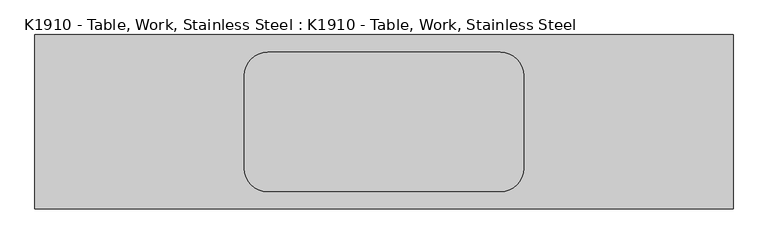
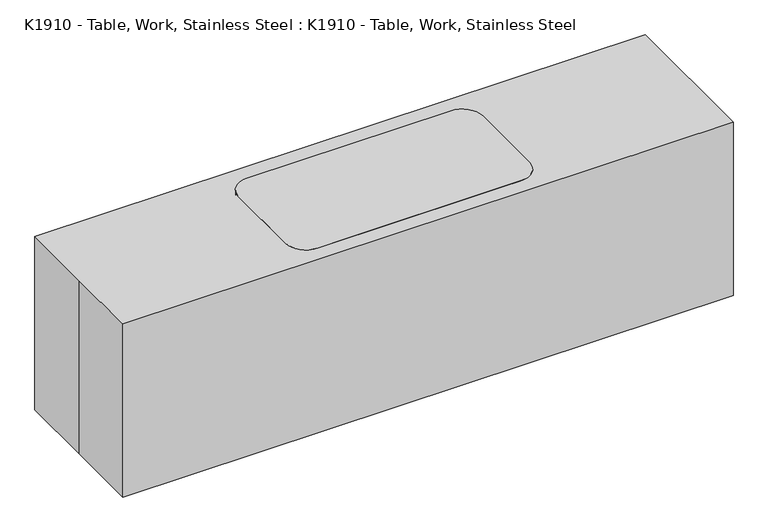
"""IFC4 building model written with IfcOpenShell, lengths in millimetres: proxy geometry, K1910 - Table, Work, Stainless Steel : K1910 - Table, Work, Stainless Steel."""

import ifcopenshell
import ifcopenshell.guid

model = None  # the IFC model being written
_history = None  # IfcOwnerHistory: only IFC2X3 demands one
_inside = {}  # id of a spatial element -> (the spatial element, [elements in it])
_under = {}  # id of a project, library or spatial element -> (it, [spatial elements below it])
_declared = {}  # id of a project -> (the project, [libraries it declares])
_typed = {}  # id of a type object -> (the type object, [elements of that type])
_made_of = {}  # id of a material, layer set ... -> (it, [elements and type objects made of it])


def new_model(schema):
    """Start an empty IFC model of exactly this schema.

    Asked for "IFC4X3", IfcOpenShell would pick the latest addendum, in which some entities
    have other attributes; the version numbers below select the first issue.
    IFC2X3 requires an IfcOwnerHistory on every rooted entity: one is made here for all.
    """
    global model, _history
    if schema == "IFC4X3":
        model = ifcopenshell.file(schema_version=(4, 3, 0, 0))
    else:
        model = ifcopenshell.file(schema=schema)
    _inside.clear()
    _under.clear()
    _declared.clear()
    _typed.clear()
    _made_of.clear()
    _history = None
    if model.schema == "IFC2X3":
        org = make("IfcOrganization", Name="unknown")
        user = make(
            "IfcPersonAndOrganization",
            ThePerson=make("IfcPerson", FamilyName="unknown"),
            TheOrganization=org,
        )
        app = make(
            "IfcApplication",
            ApplicationDeveloper=org,
            Version="unknown",
            ApplicationFullName="unknown",
            ApplicationIdentifier="unknown",
        )
        _history = make(
            "IfcOwnerHistory",
            OwningUser=user,
            OwningApplication=app,
            ChangeAction="ADDED",
            CreationDate=0,
        )
    return model


def make(cls, **values):
    """One entity of the class cls with the attributes given. An attribute that is None is left unset."""
    return model.create_entity(
        cls, **{name: value for name, value in values.items() if value is not None}
    )


def rooted(cls, **values):
    """An entity with a GlobalId (a new one), such as an element, a storey or a relation."""
    return make(cls, GlobalId=ifcopenshell.guid.new(), OwnerHistory=_history, **values)


def si_unit(unit_type, name, prefix=None):
    """IfcSIUnit, for example si_unit("LENGTHUNIT", "METRE", prefix="MILLI")."""
    return make("IfcSIUnit", UnitType=unit_type, Prefix=prefix, Name=name)


def assignment(units):
    """IfcUnitAssignment: the units of a project."""
    return None if units is None else make("IfcUnitAssignment", Units=units)


def point(xyz):
    """IfcCartesianPoint."""
    return None if xyz is None else make("IfcCartesianPoint", Coordinates=xyz)


def direction(xyz):
    """IfcDirection."""
    return None if xyz is None else make("IfcDirection", DirectionRatios=xyz)


def frame(location, z_axis=None, x_axis=None):
    """IfcAxis2Placement3D, a coordinate frame: its origin and axes. An axis left out is left unset."""
    return make(
        "IfcAxis2Placement3D",
        Location=point(location),
        Axis=direction(z_axis),
        RefDirection=direction(x_axis),
    )


def frame_2d(location, x_axis=None):
    """IfcAxis2Placement2D, a coordinate frame in the plane: its origin and x axis."""
    return make(
        "IfcAxis2Placement2D", Location=point(location), RefDirection=direction(x_axis)
    )


def origin():
    """The frame at (0, 0, 0) with its axes left unset."""
    return frame((0.0, 0.0, 0.0))


def origin_with_axes():
    """The frame at (0, 0, 0) with the z axis (0, 0, 1) and the x axis (1, 0, 0) written out."""
    return frame((0.0, 0.0, 0.0), z_axis=(0.0, 0.0, 1.0), x_axis=(1.0, 0.0, 0.0))


def place(relative_to, where):
    """IfcLocalPlacement: puts the frame where relative to a parent placement (None: the world)."""
    return make(
        "IfcLocalPlacement", PlacementRelTo=relative_to, RelativePlacement=where
    )


def context(
    kind, dimensions, precision=None, world=None, true_north=None, identifier=None
):
    """IfcGeometricRepresentationContext, for example the 3D "Model" context."""
    return make(
        "IfcGeometricRepresentationContext",
        ContextIdentifier=identifier,
        ContextType=kind,
        CoordinateSpaceDimension=dimensions,
        Precision=precision,
        WorldCoordinateSystem=world,
        TrueNorth=true_north,
    )


def project(units=None, contexts=None):
    """IfcProject with its units and contexts."""
    return rooted(
        "IfcProject",
        Name="project",
        RepresentationContexts=contexts,
        UnitsInContext=assignment(units),
    )


def spatial(cls, under=None, at=None, **own):
    """A site, building, storey or space (cls), placed at a placement, below another one or the project."""
    s = rooted(cls, ObjectPlacement=at, **own)
    if under is not None:
        _under.setdefault(under.id(), (under, []))[1].append(s)
    return s


def polyline(points):
    """IfcPolyline through the points."""
    return make("IfcPolyline", Points=[point(p) for p in points])


def circle_curve(where, radius):
    """IfcCircle in the frame where."""
    return make("IfcCircle", Position=where, Radius=radius)


def trimmed(basis, trim1, trim2, sense, master):
    """IfcTrimmedCurve: the piece of a basis curve between two trims."""
    return make(
        "IfcTrimmedCurve",
        BasisCurve=basis,
        Trim1=trim1,
        Trim2=trim2,
        SenseAgreement=sense,
        MasterRepresentation=master,
    )


def segment(curve, same_sense, transition):
    """IfcCompositeCurveSegment."""
    return make(
        "IfcCompositeCurveSegment",
        Transition=transition,
        SameSense=same_sense,
        ParentCurve=curve,
    )


def composite_curve(segments, self_intersect=None):
    """IfcCompositeCurve: segments joined end to end."""
    return make("IfcCompositeCurve", Segments=segments, SelfIntersect=self_intersect)


def outline(outer, holes=None, kind="AREA"):
    """IfcArbitraryClosedProfileDef: a profile drawn as a closed curve; with holes, ...WithVoids."""
    if holes is None:
        return make("IfcArbitraryClosedProfileDef", ProfileType=kind, OuterCurve=outer)
    return make(
        "IfcArbitraryProfileDefWithVoids",
        ProfileType=kind,
        OuterCurve=outer,
        InnerCurves=holes,
    )


def extrude(swept, where, along, depth):
    """IfcExtrudedAreaSolid: the profile swept, set in the frame where, extruded along a direction by depth."""
    return make(
        "IfcExtrudedAreaSolid",
        SweptArea=swept,
        Position=where,
        ExtrudedDirection=direction(along),
        Depth=depth,
    )


def shape(context_of_items, identifier, shape_type, items):
    """IfcShapeRepresentation: the items that make up one representation, for example the "Body"."""
    return make(
        "IfcShapeRepresentation",
        ContextOfItems=context_of_items,
        RepresentationIdentifier=identifier,
        RepresentationType=shape_type,
        Items=items,
    )


def source(mapping_origin, context_of_items, identifier, shape_type, items):
    """IfcRepresentationMap: a shape defined once, which mapped items show again and again."""
    return make(
        "IfcRepresentationMap",
        MappingOrigin=mapping_origin,
        MappedRepresentation=shape(context_of_items, identifier, shape_type, items),
    )


def transform(
    local_origin,
    x_axis=None,
    y_axis=None,
    z_axis=None,
    scale=None,
    scale2=None,
    scale3=None,
    uniform=True,
):
    """IfcCartesianTransformationOperator3D, or its non-uniform kind. x_axis, y_axis, z_axis: its Axis1, 2, 3."""
    if uniform:
        return make(
            "IfcCartesianTransformationOperator3D",
            Axis1=direction(x_axis),
            Axis2=direction(y_axis),
            LocalOrigin=point(local_origin),
            Scale=scale,
            Axis3=direction(z_axis),
        )
    return make(
        "IfcCartesianTransformationOperator3DnonUniform",
        Axis1=direction(x_axis),
        Axis2=direction(y_axis),
        LocalOrigin=point(local_origin),
        Scale=scale,
        Axis3=direction(z_axis),
        Scale2=scale2,
        Scale3=scale3,
    )


def mapped(mapping_source, mapping_target):
    """IfcMappedItem: shows the shape of a source again, moved by a transform."""
    return make(
        "IfcMappedItem", MappingSource=mapping_source, MappingTarget=mapping_target
    )


def made_of(thing, what):
    """Note that an element or type object is made of a material, layer set ...; save() writes the relation."""
    if what is not None:
        _made_of.setdefault(what.id(), (what, []))[1].append(thing)
    return thing


def element(
    cls,
    number,
    at=None,
    inside=None,
    cuts=None,
    type_object=None,
    material=None,
    context=None,
    identifier="Body",
    shape_type=None,
    held_by="IfcProductDefinitionShape",
    body=None,
    shapes=None,
    **own,
):
    """One element of the class cls, such as IfcWall. Its Tag is "e" and its number.

    at: its placement. inside: the storey or other place that contains it. cuts: it is an
    opening in that element (IfcRelVoidsElement). A single representation is given by context,
    identifier, shape_type and body (its items); several are given by shapes. held_by: the class
    of the entity that holds the representations. save() writes the other relations.
    """
    e = rooted(cls, Tag="e%d" % number, ObjectPlacement=at, **own)
    if body is not None:
        shapes = [shape(context, identifier, shape_type, body)]
    if shapes is not None:
        e.Representation = make(held_by, Representations=shapes)
    if inside is not None:
        _inside.setdefault(inside.id(), (inside, []))[1].append(e)
    if cuts is not None:
        rooted(
            "IfcRelVoidsElement", RelatingBuildingElement=cuts, RelatedOpeningElement=e
        )
    if type_object is not None:
        _typed.setdefault(type_object.id(), (type_object, []))[1].append(e)
    return made_of(e, material)


def aggregate(whole, parts):
    """IfcRelAggregates: a whole, such as a stair, and the parts it consists of."""
    return rooted("IfcRelAggregates", RelatingObject=whole, RelatedObjects=parts)


def save(model, path):
    """Write the relations noted so far, then the file.

    IfcRelAggregates (storeys below a building ...), IfcRelContainedInSpatialStructure (elements
    in a storey), IfcRelDefinesByType, IfcRelAssociatesMaterial and IfcRelDeclares: one each for
    every whole, place, type object, material and project.
    """
    for whole, parts in _under.values():
        aggregate(whole, parts)
    for where, things in _inside.values():
        rooted(
            "IfcRelContainedInSpatialStructure",
            RelatedElements=things,
            RelatingStructure=where,
        )
    for kind, things in _typed.values():
        rooted("IfcRelDefinesByType", RelatedObjects=things, RelatingType=kind)
    for what, things in _made_of.values():
        rooted("IfcRelAssociatesMaterial", RelatedObjects=things, RelatingMaterial=what)
    for by, libraries in _declared.values():
        rooted("IfcRelDeclares", RelatingContext=by, RelatedDefinitions=libraries)
    model.write(path)


def k1910_table_work_stainless_steel_k1910_table_work_stainless_d782907a(model_context):
    return source(origin(), model_context, "Body", "SweptSolid", [
        extrude(outline(composite_curve([segment(trimmed(circle_curve(frame_2d((-508.0, -203.2)), 38.1), [point((-469.9, -203.2))], [point((-546.1, -203.2))], False, "CARTESIAN"), True, "CONTINUOUS"), segment(trimmed(circle_curve(frame_2d((-508.0, -203.2)), 38.1), [point((-546.1, -203.2))], [point((-469.9, -203.2))], False, "CARTESIAN"), True, "CONTINUOUS")], self_intersect=False)), origin_with_axes(), (0.0, 0.0, 1.0), 863.6),
        extrude(outline(composite_curve([segment(trimmed(circle_curve(frame_2d((-508.0, 203.2)), 38.1), [point((-469.9, 203.2))], [point((-546.1, 203.2))], False, "CARTESIAN"), True, "CONTINUOUS"), segment(trimmed(circle_curve(frame_2d((-508.0, 203.2)), 38.1), [point((-546.1, 203.2))], [point((-469.9, 203.2))], False, "CARTESIAN"), True, "CONTINUOUS")], self_intersect=False)), origin_with_axes(), (0.0, 0.0, 1.0), 863.6),
        extrude(outline(composite_curve([segment(trimmed(circle_curve(frame_2d((508.0, 203.2)), 38.1), [point((469.9, 203.2))], [point((508.0, 165.1))], True, "CARTESIAN"), True, "CONTINUOUS"), segment(polyline([(508.0, 165.1), (508.0, -165.1)]), True, "CONTINUOUS"), segment(trimmed(circle_curve(frame_2d((508.0, -203.2)), 38.1), [point((508.0, -165.1))], [point((469.9, -203.2))], True, "CARTESIAN"), True, "CONTINUOUS"), segment(polyline([(469.9, -203.2), (-469.9, -203.2)]), True, "CONTINUOUS"), segment(trimmed(circle_curve(frame_2d((-508.0, -203.2)), 38.1), [point((-469.9, -203.2))], [point((-508.0, -165.1))], True, "CARTESIAN"), True, "CONTINUOUS"), segment(polyline([(-508.0, -165.1), (-508.0, 165.1)]), True, "CONTINUOUS"), segment(trimmed(circle_curve(frame_2d((-508.0, 203.2)), 38.1), [point((-508.0, 165.1))], [point((-469.9, 203.2))], True, "CARTESIAN"), True, "CONTINUOUS"), segment(polyline([(-469.9, 203.2), (469.9, 203.2)]), True, "CONTINUOUS")], self_intersect=False)), frame((0.0, 0.0, 304.8), z_axis=(0.0, 0.0, 1.0), x_axis=(1.0, 0.0, 0.0)), (0.0, 0.0, 1.0), 25.4),
        extrude(outline(composite_curve([segment(trimmed(circle_curve(frame_2d((508.0, -203.2)), 38.1), [point((469.9, -203.2))], [point((546.1, -203.2))], False, "CARTESIAN"), True, "CONTINUOUS"), segment(trimmed(circle_curve(frame_2d((508.0, -203.2)), 38.1), [point((546.1, -203.2))], [point((469.9, -203.2))], False, "CARTESIAN"), True, "CONTINUOUS")], self_intersect=False)), origin_with_axes(), (0.0, 0.0, 1.0), 863.6),
        extrude(outline(composite_curve([segment(trimmed(circle_curve(frame_2d((508.0, 203.2)), 38.1), [point((469.9, 203.2))], [point((546.1, 203.2))], False, "CARTESIAN"), True, "CONTINUOUS"), segment(trimmed(circle_curve(frame_2d((508.0, 203.2)), 38.1), [point((546.1, 203.2))], [point((469.9, 203.2))], False, "CARTESIAN"), True, "CONTINUOUS")], self_intersect=False)), origin_with_axes(), (0.0, 0.0, 1.0), 863.6),
        extrude(outline(composite_curve([segment(trimmed(circle_curve(frame_2d((-508.0, 203.2)), 101.6), [point((-609.6, 203.2))], [point((-508.0, 304.8))], False, "CARTESIAN"), True, "CONTINUOUS"), segment(polyline([(-508.0, 304.8), (508.0, 304.8)]), True, "CONTINUOUS"), segment(trimmed(circle_curve(frame_2d((508.0, 203.2)), 101.6), [point((508.0, 304.8))], [point((609.6, 203.2))], False, "CARTESIAN"), True, "CONTINUOUS"), segment(polyline([(609.6, 203.2), (609.6, -203.2)]), True, "CONTINUOUS"), segment(trimmed(circle_curve(frame_2d((508.0, -203.2)), 101.6), [point((609.6, -203.2))], [point((508.0, -304.8))], False, "CARTESIAN"), True, "CONTINUOUS"), segment(polyline([(508.0, -304.8), (-508.0, -304.8)]), True, "CONTINUOUS"), segment(trimmed(circle_curve(frame_2d((-508.0, -203.2)), 101.6), [point((-508.0, -304.8))], [point((-609.6, -203.2))], False, "CARTESIAN"), True, "CONTINUOUS"), segment(polyline([(-609.6, -203.2), (-609.6, 203.2)]), True, "CONTINUOUS")], self_intersect=False)), frame((0.0, 0.0, 863.6), z_axis=(0.0, 0.0, 1.0), x_axis=(1.0, 0.0, 0.0)), (0.0, 0.0, 1.0), 50.8),
        extrude(outline(polyline([(-1524.0, 381.0), (1524.0, 381.0), (1524.0, -381.0), (-1524.0, -381.0), (-1524.0, 0.0), (-1524.0, 381.0)])), origin_with_axes(), (0.0, 0.0, 1.0), 914.4),
    ])


if __name__ == "__main__":
    model = new_model("IFC4")
    model_context = context("Model", 3, world=origin())
    ifc_project = project(units=[si_unit("LENGTHUNIT", "METRE", prefix="MILLI")], contexts=[model_context])
    site = spatial("IfcSite", under=ifc_project)
    building = spatial("IfcBuilding", under=site)
    placement = place(None, origin())
    k1910_table_work_stainless_steel_k1910_table_work_stainless_shape = k1910_table_work_stainless_steel_k1910_table_work_stainless_d782907a(model_context)
    element("IfcBuildingElementProxy", 1, Name="K1910 - Table, Work, Stainless Steel : K1910 - Table, Work, Stainless Steel", ObjectType="K1910 - Table, Work, Stainless Steel : K1910 - Table, Work, Stainless Steel", at=placement, inside=building, context=model_context, shape_type="MappedRepresentation", body=[
        mapped(k1910_table_work_stainless_steel_k1910_table_work_stainless_shape, transform((0.0, 0.0, 0.0), x_axis=(1.0, 0.0, 0.0), y_axis=(0.0, 1.0, 0.0), z_axis=(0.0, 0.0, 1.0))),
    ])
    save(model, "model.ifc")
